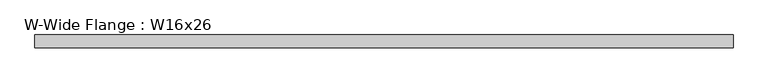
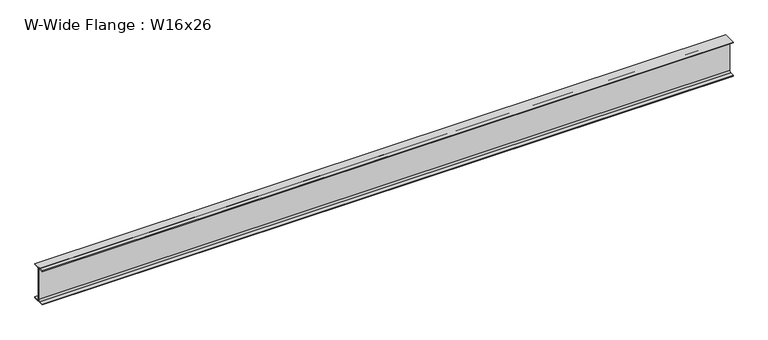
"""IFC4 building model written with IfcOpenShell, lengths in millimetres: beam geometry, W-Wide Flange : W16x26."""

from ifc_helpers import new_model, si_unit, point, frame, frame_2d, origin, place, context, project, spatial, polyline, circle_curve, trimmed, segment, composite_curve, outline, extrude, source, transform, mapped, element, save


def w_wide_flange_w16x26_17a6e6b7(model_context):
    return source(origin(), model_context, "Body", "SweptSolid", [
        extrude(outline(composite_curve([segment(polyline([(69.85, -190.627), (69.85, -199.39), (-69.85, -199.39), (-69.85, -190.627), (-21.3995, -190.627)]), True, "CONTINUOUS"), segment(trimmed(circle_curve(frame_2d((-21.3995, -172.4025)), 18.2245), [point((-21.3995, -190.627))], [point((-3.175, -172.4025))], True, "CARTESIAN"), True, "CONTINUOUS"), segment(polyline([(-3.175, -172.4025), (-3.175, 172.4025)]), True, "CONTINUOUS"), segment(trimmed(circle_curve(frame_2d((-21.3995, 172.4025)), 18.2245), [point((-3.175, 172.4025))], [point((-21.3995, 190.627))], True, "CARTESIAN"), True, "CONTINUOUS"), segment(polyline([(-21.3995, 190.627), (-69.85, 190.627), (-69.85, 199.39), (69.85, 199.39), (69.85, 190.627), (21.3995, 190.627)]), True, "CONTINUOUS"), segment(trimmed(circle_curve(frame_2d((21.3995, 172.4025)), 18.2245), [point((21.3995, 190.627))], [point((3.175, 172.4025))], True, "CARTESIAN"), True, "CONTINUOUS"), segment(polyline([(3.175, 172.4025), (3.175, -172.4025)]), True, "CONTINUOUS"), segment(trimmed(circle_curve(frame_2d((21.3995, -172.4025)), 18.2245), [point((3.175, -172.4025))], [point((21.3995, -190.627))], True, "CARTESIAN"), True, "CONTINUOUS"), segment(polyline([(21.3995, -190.627), (69.85, -190.627)]), True, "CONTINUOUS")], self_intersect=False)), frame((-3848.8058365, 0.0, 0.0), z_axis=(1.0, 0.0, 0.0), x_axis=(0.0, 1.0, 0.0)), (0.0, 0.0, 1.0), 7689.3280533),
    ])


if __name__ == "__main__":
    model = new_model("IFC4")
    model_context = context("Model", 3, world=origin())
    ifc_project = project(units=[si_unit("LENGTHUNIT", "METRE", prefix="MILLI")], contexts=[model_context])
    site = spatial("IfcSite", under=ifc_project)
    building = spatial("IfcBuilding", under=site)
    placement = place(None, origin())
    w_wide_flange_w16x26_shape = w_wide_flange_w16x26_17a6e6b7(model_context)
    element("IfcBeam", 1, ObjectType="W-Wide Flange : W16x26", at=placement, inside=building, context=model_context, shape_type="MappedRepresentation", body=[
        mapped(w_wide_flange_w16x26_shape, transform((0.0, 0.0, 0.0), x_axis=(1.0, 0.0, 0.0), y_axis=(0.0, 1.0, 0.0), z_axis=(0.0, 0.0, 1.0))),
    ])
    save(model, "model.ifc")
